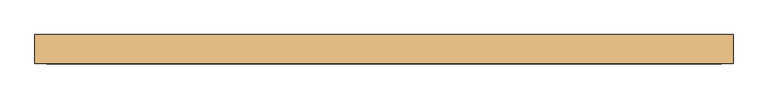
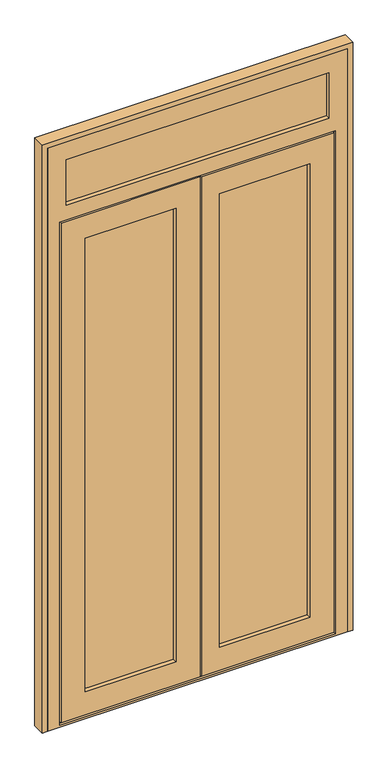
"""IFC4 building model written with IfcOpenShell, lengths in millimetres: door geometry."""

from ifc_helpers import new_model, si_unit, frame, origin, place, context, project, spatial, polyline, outline, extrude, faceted_brep, source, transform, mapped, element, save


def door_358a3ed2(model_context):
    return source(origin(), model_context, "Body", "SolidModel", [
        extrude(outline(polyline([(59.0, 91.0), (59.0, 67.0), (-327.0, 67.0), (-327.0, 91.0), (59.0, 91.0)])), frame((0.0, 0.0, 93.0), z_axis=(0.0, 0.0, 1.0), x_axis=(1.0, 0.0, 0.0)), (0.0, 0.0, 1.0), 1888.0),
        extrude(outline(polyline([(577.0, 91.0), (577.0, 67.0), (191.0, 67.0), (191.0, 91.0), (577.0, 91.0)])), frame((0.0, 0.0, 93.0), z_axis=(0.0, 0.0, 1.0), x_axis=(1.0, 0.0, 0.0)), (0.0, 0.0, 1.0), 1888.0),
        extrude(outline(polyline([(651.0, 91.0), (651.0, 67.0), (-401.0, 67.0), (-401.0, 91.0), (651.0, 91.0)])), frame((0.0, 0.0, 2105.0), z_axis=(0.0, 0.0, 1.0), x_axis=(1.0, 0.0, 0.0)), (0.0, 0.0, 1.0), 221.0),
        faceted_brep([(-403.0, 59.0, 17.0), (-393.0, 59.0, 17.0), (-393.0, 91.0, 17.0), (-383.0, 91.0, 17.0), (-383.0, 59.0, 17.0), (135.0, 59.0, 17.0), (135.0, 50.0, 17.0), (-403.0, 50.0, 17.0), (653.0, 59.0, 17.0), (653.0, 50.0, 17.0), (140.0, 50.0, 17.0), (140.0, 59.0, 17.0), (633.0, 59.0, 17.0), (633.0, 91.0, 17.0), (643.0, 91.0, 17.0), (643.0, 59.0, 17.0), (-403.0, 50.0, 2057.0), (-403.0, 59.0, 2057.0), (135.0, 50.0, 2057.0), (-309.0, 50.0, 1963.0), (41.0, 50.0, 1963.0), (41.0, 50.0, 111.0), (-309.0, 50.0, 111.0), (653.0, 50.0, 2057.0), (140.0, 50.0, 2057.0), (559.0, 50.0, 111.0), (209.0, 50.0, 111.0), (209.0, 50.0, 1963.0), (559.0, 50.0, 1963.0), (-309.0, 67.0, 111.0), (-309.0, 67.0, 1963.0), (577.0, 67.0, 93.0), (191.0, 67.0, 93.0), (191.0, 67.0, 1981.0), (577.0, 67.0, 1981.0), (559.0, 67.0, 1963.0), (209.0, 67.0, 1963.0), (209.0, 67.0, 111.0), (559.0, 67.0, 111.0), (-327.0, 67.0, 1981.0), (59.0, 67.0, 1981.0), (59.0, 67.0, 93.0), (-327.0, 67.0, 93.0), (41.0, 67.0, 111.0), (41.0, 67.0, 1963.0), (-327.0, 91.0, 93.0), (-327.0, 91.0, 1981.0), (577.0, 91.0, 1981.0), (191.0, 91.0, 1981.0), (191.0, 91.0, 93.0), (577.0, 91.0, 93.0), (559.0, 91.0, 111.0), (209.0, 91.0, 111.0), (209.0, 91.0, 1963.0), (559.0, 91.0, 1963.0), (59.0, 91.0, 93.0), (59.0, 91.0, 1981.0), (-309.0, 91.0, 1963.0), (41.0, 91.0, 1963.0), (41.0, 91.0, 111.0), (-309.0, 91.0, 111.0), (-309.0, 100.0, 111.0), (-309.0, 100.0, 1963.0), (628.0, 100.0, 42.0), (115.0, 100.0, 42.0), (115.0, 100.0, 2032.0), (628.0, 100.0, 2032.0), (559.0, 100.0, 1963.0), (209.0, 100.0, 1963.0), (209.0, 100.0, 111.0), (559.0, 100.0, 111.0), (-378.0, 100.0, 2032.0), (110.0, 100.0, 2032.0), (110.0, 100.0, 42.0), (-378.0, 100.0, 42.0), (41.0, 100.0, 111.0), (41.0, 100.0, 1963.0), (-378.0, 91.0, 42.0), (-378.0, 91.0, 2032.0), (633.0, 91.0, 27.0), (-383.0, 91.0, 27.0), (-393.0, 91.0, 2047.0), (643.0, 91.0, 2047.0), (628.0, 91.0, 2032.0), (115.0, 91.0, 2032.0), (115.0, 91.0, 42.0), (628.0, 91.0, 42.0), (110.0, 91.0, 42.0), (110.0, 91.0, 2032.0), (-393.0, 59.0, 2047.0), (135.0, 59.0, 2057.0), (135.0, 59.0, 2047.0), (643.0, 59.0, 2047.0), (140.0, 59.0, 2047.0), (140.0, 59.0, 2057.0), (653.0, 59.0, 2057.0), (633.0, 59.0, 27.0), (-383.0, 59.0, 27.0), (140.0, 59.0, 27.0), (135.0, 59.0, 27.0)], [[[0, 1, 2, 3, 4, 5, 6, 7]], [[8, 9, 10, 11, 12, 13, 14, 15]], [[7, 16, 17, 0]], [[7, 6, 18, 16], [19, 20, 21, 22]], [[23, 24, 10, 9], [25, 26, 27, 28]], [[19, 22, 29, 30]], [[31, 32, 33, 34], [35, 36, 37, 38]], [[39, 40, 41, 42], [29, 43, 44, 30]], [[39, 42, 45, 46]], [[47, 48, 49, 50], [51, 52, 53, 54]], [[45, 55, 56, 46], [57, 58, 59, 60]], [[57, 60, 61, 62]], [[63, 64, 65, 66], [67, 68, 69, 70]], [[71, 72, 73, 74], [61, 75, 76, 62]], [[71, 74, 77, 78]], [[14, 13, 79, 80, 3, 2, 81, 82], [83, 84, 85, 86], [87, 88, 78, 77]], [[1, 89, 81, 2]], [[0, 17, 90, 91, 89, 1]], [[92, 93, 94, 95, 8, 15]], [[16, 18, 90, 17]], [[95, 94, 24, 23]], [[30, 44, 20, 19]], [[28, 27, 36, 35]], [[46, 56, 40, 39]], [[34, 33, 48, 47]], [[62, 76, 58, 57]], [[54, 53, 68, 67]], [[78, 88, 72, 71]], [[66, 65, 84, 83]], [[89, 91, 93, 92, 82, 81]], [[9, 8, 95, 23]], [[35, 38, 25, 28]], [[47, 50, 31, 34]], [[67, 70, 51, 54]], [[83, 86, 63, 66]], [[82, 92, 15, 14]], [[38, 37, 26, 25]], [[22, 21, 43, 29]], [[42, 41, 55, 45]], [[50, 49, 32, 31]], [[70, 69, 52, 51]], [[60, 59, 75, 61]], [[79, 13, 12, 96]], [[97, 4, 3, 80]], [[96, 98, 99, 97, 80, 79]], [[74, 73, 87, 77]], [[86, 85, 64, 63]], [[12, 11, 98, 96]], [[97, 99, 5, 4]], [[65, 64, 85, 84]], [[68, 53, 52, 69]], [[33, 32, 49, 48]], [[36, 27, 26, 37]], [[10, 24, 94, 93, 98, 11]], [[91, 99, 98, 93]], [[5, 99, 91, 90, 18, 6]], [[43, 21, 20, 44]], [[56, 55, 41, 40]], [[75, 59, 58, 76]], [[73, 72, 88, 87]]]),
        faceted_brep([(-455.0, 50.0, 2380.0), (-455.0, 50.0, 0.0), (705.0, 50.0, 0.0), (705.0, 50.0, 2380.0), (633.0, 50.0, 2308.0), (633.0, 50.0, 2123.0), (-383.0, 50.0, 2123.0), (-383.0, 50.0, 2308.0), (-408.0, 50.0, 2062.0), (658.0, 50.0, 2062.0), (658.0, 50.0, 9.0), (-408.0, 50.0, 9.0), (-383.0, 67.0, 2123.0), (-383.0, 67.0, 2308.0), (651.0, 67.0, 2326.0), (651.0, 67.0, 2105.0), (-401.0, 67.0, 2105.0), (-401.0, 67.0, 2326.0), (633.0, 67.0, 2123.0), (633.0, 67.0, 2308.0), (-401.0, 91.0, 2105.0), (-401.0, 91.0, 2326.0), (651.0, 91.0, 2105.0), (651.0, 91.0, 2326.0), (-383.0, 91.0, 2308.0), (633.0, 91.0, 2308.0), (633.0, 91.0, 2123.0), (-383.0, 91.0, 2123.0), (-383.0, 100.0, 2123.0), (-383.0, 100.0, 2308.0), (705.0, 100.0, 2380.0), (705.0, 100.0, 0.0), (-455.0, 100.0, 0.0), (-455.0, 100.0, 2380.0), (633.0, 100.0, 2037.0), (-383.0, 100.0, 2037.0), (-383.0, 100.0, 27.0), (633.0, 100.0, 27.0), (633.0, 100.0, 2123.0), (633.0, 100.0, 2308.0), (658.0, 59.0, 9.0), (-408.0, 59.0, 9.0), (658.0, 59.0, 2062.0), (-408.0, 59.0, 2062.0), (643.0, 59.0, 27.0), (-393.0, 59.0, 27.0), (-393.0, 59.0, 2047.0), (643.0, 59.0, 2047.0), (643.0, 91.0, 27.0), (633.0, 91.0, 27.0), (-383.0, 91.0, 27.0), (-393.0, 91.0, 27.0), (-393.0, 91.0, 2047.0), (643.0, 91.0, 2047.0), (-383.0, 91.0, 2037.0), (633.0, 91.0, 2037.0)], [[[0, 1, 2, 3], [4, 5, 6, 7], [8, 9, 10, 11]], [[7, 6, 12, 13]], [[14, 15, 16, 17], [13, 12, 18, 19]], [[17, 16, 20, 21]], [[21, 20, 22, 23], [24, 25, 26, 27]], [[24, 27, 28, 29]], [[30, 31, 32, 33], [34, 35, 36, 37], [28, 38, 39, 29]], [[32, 1, 0, 33]], [[7, 13, 19, 4]], [[17, 21, 23, 14]], [[29, 39, 25, 24]], [[3, 30, 33, 0]], [[19, 18, 5, 4]], [[23, 22, 15, 14]], [[39, 38, 26, 25]], [[2, 31, 30, 3]], [[10, 40, 41, 11]], [[41, 40, 42, 43], [44, 45, 46, 47]], [[44, 48, 49, 37, 36, 50, 51, 45]], [[1, 32, 31, 2]], [[12, 6, 5, 18]], [[8, 43, 42, 9]], [[46, 52, 53, 47]], [[48, 53, 52, 51, 50, 54, 55, 49]], [[34, 55, 54, 35]], [[28, 27, 26, 38]], [[16, 15, 22, 20]], [[35, 54, 50, 36]], [[45, 51, 52, 46]], [[11, 41, 43, 8]], [[9, 42, 40, 10]], [[47, 53, 48, 44]], [[37, 49, 55, 34]]]),
        extrude(outline(polyline([(2400.0, -475.0), (0.0, -475.0), (0.0, -455.0), (2380.0, -455.0), (2380.0, 705.0), (0.0, 705.0), (0.0, 725.0), (2400.0, 725.0), (2400.0, -475.0)])), frame((0.0, 50.0, 0.0), z_axis=(0.0, 1.0, 0.0), x_axis=(0.0, 0.0, 1.0)), (0.0, 0.0, 1.0), 50.0),
    ])


if __name__ == "__main__":
    model = new_model("IFC4")
    model_context = context("Model", 3, world=origin())
    ifc_project = project(units=[si_unit("LENGTHUNIT", "METRE", prefix="MILLI")], contexts=[model_context])
    site = spatial("IfcSite", under=ifc_project)
    building = spatial("IfcBuilding", under=site)
    placement = place(None, origin())
    door_shape = door_358a3ed2(model_context)
    element("IfcDoor", 1, at=placement, inside=building, context=model_context, shape_type="MappedRepresentation", body=[
        mapped(door_shape, transform((0.0, 0.0, 0.0), x_axis=(1.0, 0.0, 0.0), y_axis=(0.0, 1.0, 0.0), z_axis=(0.0, 0.0, 1.0))),
    ])
    save(model, "model.ifc")
